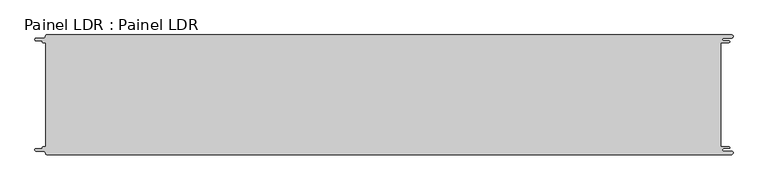
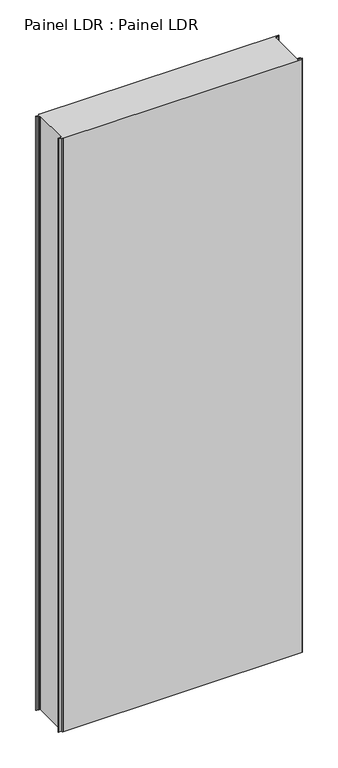
"""IFC4 building model written with IfcOpenShell, lengths in millimetres: proxy geometry, Painel LDR : Painel LDR."""

from ifc_helpers import new_model, si_unit, frame, origin, place, context, project, spatial, polyline, circle_curve, source, transform, mapped, element, save
from ifc_brep_helpers import plane_surface, cylinder_surface, revolved_surface, advanced_brep


def painel_ldr_painel_ldr_a854df61(model_context):
    return source(origin(), model_context, "Body", "AdvancedBrep", [
        advanced_brep(
        [(-579.5093748, 87.3, 3000.0), (-574.2218362, 87.3, 3000.0), (-574.2218362, -87.2999995, 3000.0), (-579.5093748, -87.2999995, 3000.0), (-580.1093753, -87.9, 3000.0), (-580.1093753, -88.7085185, 3000.0), (-581.5093753, -90.1085185, 3000.0), (-590.4875, -90.1085185, 3000.0), (-590.4875, -94.5085185, 3000.0), (-578.471875, -94.5085185, 3000.0), (-574.921875, -98.0585185, 3000.0), (-572.971875, -100.0, 3000.0), (572.284375, -100.0, 3000.0), (572.284375, -94.725, 3000.0), (559.378125, -94.725, 3000.0), (559.378125, -89.875, 3000.0), (568.0406253, -89.875, 3000.0), (568.0406253, -87.3, 3000.0), (554.1906253, -87.3, 3000.0), (554.1906253, 87.3, 3000.0), (568.0406253, 87.3, 3000.0), (568.0406253, 89.875, 3000.0), (559.378125, 89.875, 3000.0), (559.378125, 94.725, 3000.0), (572.284375, 94.725, 3000.0), (572.284375, 100.0, 3000.0), (-572.971875, 100.0, 3000.0), (-574.921875, 98.05, 3000.0), (-578.471875, 94.5085185, 3000.0), (-590.4875, 94.5085185, 3000.0), (-590.4875, 90.1085187, 3000.0), (-581.5093751, 90.1085187, 3000.0), (-580.1093748, 88.7085184, 3000.0), (-580.1093748, 87.9, 3000.0), (-579.5093748, 87.3, 0.0), (-580.1093748, 87.9, 0.0), (-580.1093748, 88.7085184, 0.0), (-581.5093751, 90.1085187, 0.0), (-590.4875, 90.1085187, 0.0), (-590.4875, 94.5085185, 0.0), (-578.471875, 94.5085185, 0.0), (-574.921875, 98.0585185, 0.0), (-572.971875, 100.0, 0.0), (572.284375, 100.0, 0.0), (572.284375, 94.725, 0.0), (559.378125, 94.725, 0.0), (559.378125, 89.875, 0.0), (568.0406253, 89.875, 0.0), (568.0406253, 87.3, 0.0), (554.1906253, 87.3, 0.0), (554.1906253, -87.3, 0.0), (568.0406253, -87.3, 0.0), (568.0406253, -89.875, 0.0), (559.378125, -89.875, 0.0), (559.378125, -94.725, 0.0), (572.284375, -94.725, 0.0), (572.284375, -100.0, 0.0), (-572.971875, -100.0, 0.0), (-574.921875, -98.05, 0.0), (-578.471875, -94.5085185, 0.0), (-590.4875, -94.5085185, 0.0), (-590.4875, -90.1085185, 0.0), (-581.5093753, -90.1085185, 0.0), (-580.1093753, -88.7085185, 0.0), (-580.1093753, -87.9, 0.0), (-579.5093748, -87.2999995, 0.0), (-574.2218362, -87.2999995, 0.0), (-574.2218362, 87.3, 0.0)],
        [
            (0, 1),
            (1, 2),
            (2, 3),
            (3, 4, circle_curve(frame((-579.5093748, -87.9, 3000.0), z_axis=(0.0, 0.0, 1.0), x_axis=(1.0, 0.0, 0.0)), 0.6000005)),
            (4, 5),
            (5, 6, circle_curve(frame((-581.5093753, -88.7085185, 3000.0), z_axis=(0.0, 0.0, -1.0), x_axis=(1.0, 0.0, 0.0)), 1.4)),
            (6, 7),
            (7, 8, circle_curve(frame((-590.4875, -92.3085185, 3000.0), z_axis=(0.0, 0.0, 1.0), x_axis=(1.0, 0.0, 0.0)), 2.2)),
            (8, 9),
            (9, 10, circle_curve(frame((-578.471875, -98.0585185, 3000.0), z_axis=(0.0, 0.0, -1.0), x_axis=(1.0, 0.0, 0.0)), 3.55)),
            (10, 11, circle_curve(frame((-572.971875, -98.05, 3000.0), z_axis=(0.0, 0.0, 1.0), x_axis=(1.0, 0.0, 0.0)), 1.95)),
            (11, 12),
            (12, 13, circle_curve(frame((572.284375, -97.3625, 3000.0), z_axis=(0.0, 0.0, 1.0), x_axis=(1.0, 0.0, 0.0)), 2.6375)),
            (13, 14),
            (14, 15, circle_curve(frame((559.378125, -92.3, 3000.0), z_axis=(0.0, 0.0, -1.0), x_axis=(1.0, 0.0, 0.0)), 2.425)),
            (15, 16),
            (16, 17, circle_curve(frame((568.0406253, -88.5875, 3000.0), z_axis=(0.0, 0.0, 1.0), x_axis=(1.0, 0.0, 0.0)), 1.2875)),
            (17, 18),
            (18, 19),
            (19, 20),
            (20, 21, circle_curve(frame((568.0406253, 88.5875, 3000.0), z_axis=(0.0, 0.0, 1.0), x_axis=(1.0, 0.0, 0.0)), 1.2875)),
            (21, 22),
            (22, 23, circle_curve(frame((559.378125, 92.3, 3000.0), z_axis=(0.0, 0.0, -1.0), x_axis=(1.0, 0.0, 0.0)), 2.425)),
            (23, 24),
            (24, 25, circle_curve(frame((572.284375, 97.3625, 3000.0), z_axis=(0.0, 0.0, 1.0), x_axis=(1.0, 0.0, 0.0)), 2.6375)),
            (25, 26),
            (26, 27, circle_curve(frame((-572.971875, 98.05, 3000.0), z_axis=(0.0, 0.0, 1.0), x_axis=(1.0, 0.0, 0.0)), 1.95)),
            (27, 28, circle_curve(frame((-578.471875, 98.0585185, 3000.0), z_axis=(0.0, 0.0, -1.0), x_axis=(1.0, 0.0, 0.0)), 3.55)),
            (28, 29),
            (29, 30, circle_curve(frame((-590.4875, 92.3085186, 3000.0), z_axis=(0.0, 0.0, 1.0), x_axis=(1.0, 0.0, 0.0)), 2.1999999)),
            (30, 31),
            (31, 32, circle_curve(frame((-581.5093751, 88.7085184, 3000.0), z_axis=(0.0, 0.0, -1.0), x_axis=(1.0, 0.0, 0.0)), 1.4000003)),
            (32, 33),
            (33, 0, circle_curve(frame((-579.5093748, 87.9, 3000.0), z_axis=(0.0, 0.0, 1.0), x_axis=(1.0, 0.0, 0.0)), 0.6)),
            (34, 35, circle_curve(frame((-579.5093748, 87.9, 0.0), z_axis=(0.0, 0.0, -1.0), x_axis=(1.0, 0.0, 0.0)), 0.6)),
            (35, 36),
            (36, 37, circle_curve(frame((-581.5093751, 88.7085184, 0.0), z_axis=(0.0, 0.0, 1.0), x_axis=(1.0, 0.0, 0.0)), 1.4000003)),
            (37, 38),
            (38, 39, circle_curve(frame((-590.4875, 92.3085186, 0.0), z_axis=(0.0, 0.0, -1.0), x_axis=(1.0, 0.0, 0.0)), 2.1999999)),
            (39, 40),
            (40, 41, circle_curve(frame((-578.471875, 98.0585185, 0.0), z_axis=(0.0, 0.0, 1.0), x_axis=(1.0, 0.0, 0.0)), 3.55)),
            (41, 42, circle_curve(frame((-572.971875, 98.05, 0.0), z_axis=(0.0, 0.0, -1.0), x_axis=(1.0, 0.0, 0.0)), 1.95)),
            (42, 43),
            (43, 44, circle_curve(frame((572.284375, 97.3625, 0.0), z_axis=(0.0, 0.0, -1.0), x_axis=(1.0, 0.0, 0.0)), 2.6375)),
            (44, 45),
            (45, 46, circle_curve(frame((559.378125, 92.3, 0.0), z_axis=(0.0, 0.0, 1.0), x_axis=(1.0, 0.0, 0.0)), 2.425)),
            (46, 47),
            (47, 48, circle_curve(frame((568.0406253, 88.5875, 0.0), z_axis=(0.0, 0.0, -1.0), x_axis=(1.0, 0.0, 0.0)), 1.2875)),
            (48, 49),
            (49, 50),
            (50, 51),
            (51, 52, circle_curve(frame((568.0406253, -88.5875, 0.0), z_axis=(0.0, 0.0, -1.0), x_axis=(1.0, 0.0, 0.0)), 1.2875)),
            (52, 53),
            (53, 54, circle_curve(frame((559.378125, -92.3, 0.0), z_axis=(0.0, 0.0, 1.0), x_axis=(1.0, 0.0, 0.0)), 2.425)),
            (54, 55),
            (55, 56, circle_curve(frame((572.284375, -97.3625, 0.0), z_axis=(0.0, 0.0, -1.0), x_axis=(1.0, 0.0, 0.0)), 2.6375)),
            (56, 57),
            (57, 58, circle_curve(frame((-572.971875, -98.05, 0.0), z_axis=(0.0, 0.0, -1.0), x_axis=(1.0, 0.0, 0.0)), 1.95)),
            (58, 59, circle_curve(frame((-578.471875, -98.0585185, 0.0), z_axis=(0.0, 0.0, 1.0), x_axis=(1.0, 0.0, 0.0)), 3.55)),
            (59, 60),
            (60, 61, circle_curve(frame((-590.4875, -92.3085185, 0.0), z_axis=(0.0, 0.0, -1.0), x_axis=(1.0, 0.0, 0.0)), 2.2)),
            (61, 62),
            (62, 63, circle_curve(frame((-581.5093753, -88.7085185, 0.0), z_axis=(0.0, 0.0, 1.0), x_axis=(1.0, 0.0, 0.0)), 1.4)),
            (63, 64),
            (64, 65, circle_curve(frame((-579.5093748, -87.9, 0.0), z_axis=(0.0, 0.0, -1.0), x_axis=(1.0, 0.0, 0.0)), 0.6000005)),
            (65, 66),
            (66, 67),
            (67, 34),
            (0, 34),
            (67, 1),
            (66, 2),
            (65, 3),
            (64, 4),
            (63, 5),
            (62, 6),
            (61, 7),
            (60, 8),
            (59, 9),
            (58, 10),
            (57, 11),
            (56, 12),
            (18, 50),
            (49, 19),
            (48, 20),
            (47, 21),
            (46, 22),
            (45, 23),
            (44, 24),
            (43, 25),
            (42, 26),
            (41, 27),
            (40, 28),
            (39, 29),
            (38, 30),
            (37, 31),
            (36, 32),
            (35, 33),
            (55, 13),
            (54, 14),
            (53, 15),
            (52, 16),
            (51, 17),
        ],
        [
            plane_surface(frame((-574.2218362, 87.3, 3000.0), z_axis=(0.0, 0.0, 1.0), x_axis=(1.0, 0.0, 0.0))),
            plane_surface(frame((-574.2218362, 87.3, 0.0), z_axis=(0.0, 0.0, -1.0), x_axis=(-1.0, 0.0, 0.0))),
            plane_surface(frame((-579.5093748, 87.3, 3000.0), z_axis=(0.0, -1.0, 0.0), x_axis=(0.0, 0.0, -1.0))),
            plane_surface(frame((-574.2218362, 87.3, 3000.0), z_axis=(-1.0, 0.0, 0.0), x_axis=(0.0, 0.0, -1.0))),
            plane_surface(frame((-574.2218362, -87.2999995, 3000.0), z_axis=(0.0, 1.0, 0.0), x_axis=(0.0, 0.0, -1.0))),
            cylinder_surface(frame((-579.5093748, -87.9, 0.0), z_axis=(0.0, 0.0, 1.0), x_axis=(1.0, 0.0, 0.0)), 0.6000005),
            plane_surface(frame((-580.1093753, -87.9, 3000.0), z_axis=(-1.0, 1.757860866232952e-12, 0.0), x_axis=(0.0, 0.0, -1.0))),
            revolved_surface(polyline([(-580.1093753, -88.7085185, 0.0), (-580.1093753, -88.7085185, 3000.0)]), (-581.5093753, -88.7085185, 0.0), (0.0, 0.0, -1.0)),
            plane_surface(frame((-581.5093753, -90.1085185, 3000.0), z_axis=(0.0, 1.0, 0.0), x_axis=(0.0, 0.0, -1.0))),
            cylinder_surface(frame((-590.4875, -92.3085185, 0.0), z_axis=(0.0, 0.0, 1.0), x_axis=(1.0, 0.0, 0.0)), 2.2),
            plane_surface(frame((-590.4875, -94.5085185, 3000.0), z_axis=(0.0, -1.0, 0.0), x_axis=(0.0, 0.0, -1.0))),
            revolved_surface(polyline([(-574.921875, -98.0585185, 0.0), (-574.921875, -98.0585185, 3000.0)]), (-578.471875, -98.0585185, 0.0), (0.0, 0.0, -1.0)),
            cylinder_surface(frame((-572.971875, -98.05, 0.0), z_axis=(0.0, 0.0, 1.0), x_axis=(1.0, 0.0, 0.0)), 1.95),
            plane_surface(frame((-572.971875, -100.0, 3000.0), z_axis=(0.0, -1.0, 0.0), x_axis=(0.0, 0.0, -1.0))),
            plane_surface(frame((554.1906253, -87.3, 3000.0), z_axis=(1.0, 0.0, 0.0), x_axis=(0.0, 0.0, -1.0))),
            plane_surface(frame((554.1906253, 87.3, 3000.0), z_axis=(0.0, -1.0, 0.0), x_axis=(0.0, 0.0, -1.0))),
            cylinder_surface(frame((568.0406253, 88.5875, 0.0), z_axis=(0.0, 0.0, 1.0), x_axis=(1.0, 0.0, 0.0)), 1.2875),
            plane_surface(frame((568.0406253, 89.875, 3000.0), z_axis=(0.0, 1.0, 0.0), x_axis=(0.0, 0.0, -1.0))),
            revolved_surface(polyline([(561.8031249999999, 92.3, 0.0), (561.8031249999999, 92.3, 3000.0)]), (559.378125, 92.3, 0.0), (0.0, 0.0, -1.0)),
            plane_surface(frame((559.378125, 94.725, 3000.0), z_axis=(0.0, -1.0, 0.0), x_axis=(0.0, 0.0, -1.0))),
            cylinder_surface(frame((572.284375, 97.3625, 0.0), z_axis=(0.0, 0.0, 1.0), x_axis=(1.0, 0.0, 0.0)), 2.6375),
            plane_surface(frame((572.284375, 100.0, 3000.0), z_axis=(0.0, 1.0, 0.0), x_axis=(0.0, 0.0, -1.0))),
            cylinder_surface(frame((-572.971875, 98.05, 0.0), z_axis=(0.0, 0.0, 1.0), x_axis=(1.0, 0.0, 0.0)), 1.95),
            revolved_surface(polyline([(-574.921875, 98.0585185, 0.0), (-574.921875, 98.0585185, 3000.0)]), (-578.471875, 98.0585185, 0.0), (0.0, 0.0, -1.0)),
            plane_surface(frame((-578.471875, 94.5085185, 3000.0), z_axis=(0.0, 1.0, 0.0), x_axis=(0.0, 0.0, -1.0))),
            cylinder_surface(frame((-590.4875, 92.3085186, 0.0), z_axis=(0.0, 0.0, 1.0), x_axis=(1.0, 0.0, 0.0)), 2.1999999),
            plane_surface(frame((-590.4875, 90.1085187, 3000.0), z_axis=(0.0, -1.0, 0.0), x_axis=(0.0, 0.0, -1.0))),
            revolved_surface(polyline([(-580.1093748000001, 88.7085184, 0.0), (-580.1093748000001, 88.7085184, 3000.0)]), (-581.5093751, 88.7085184, 0.0), (0.0, 0.0, -1.0)),
            plane_surface(frame((-580.1093748, 88.7085184, 3000.0), z_axis=(-1.0, 0.0, 0.0), x_axis=(0.0, 0.0, -1.0))),
            cylinder_surface(frame((-579.5093748, 87.9, 0.0), z_axis=(0.0, 0.0, 1.0), x_axis=(1.0, 0.0, 0.0)), 0.6),
            cylinder_surface(frame((572.284375, -97.3625, 0.0), z_axis=(0.0, 0.0, 1.0), x_axis=(1.0, 0.0, 0.0)), 2.6375),
            plane_surface(frame((572.284375, -94.725, 3000.0), z_axis=(0.0, 1.0, 0.0), x_axis=(0.0, 0.0, -1.0))),
            revolved_surface(polyline([(561.8031249999999, -92.3, 0.0), (561.8031249999999, -92.3, 3000.0)]), (559.378125, -92.3, 0.0), (0.0, 0.0, -1.0)),
            plane_surface(frame((559.378125, -89.875, 3000.0), z_axis=(0.0, -1.0, 0.0), x_axis=(0.0, 0.0, -1.0))),
            cylinder_surface(frame((568.0406253, -88.5875, 0.0), z_axis=(0.0, 0.0, 1.0), x_axis=(1.0, 0.0, 0.0)), 1.2875),
            plane_surface(frame((568.0406253, -87.3, 3000.0), z_axis=(0.0, 1.0, 0.0), x_axis=(0.0, 0.0, -1.0))),
        ],
        [
            (0, [[1, 2, 3, 4, 5, 6, 7, 8, 9, 10, 11, 12, 13, 14, 15, 16, 17, 18, 19, 20, 21, 22, 23, 24, 25, 26, 27, 28, 29, 30, 31, 32, 33, 34]]),
            (1, [[35, 36, 37, 38, 39, 40, 41, 42, 43, 44, 45, 46, 47, 48, 49, 50, 51, 52, 53, 54, 55, 56, 57, 58, 59, 60, 61, 62, 63, 64, 65, 66, 67, 68]]),
            (2, [[-1, 69, -68, 70]]),
            (3, [[-2, -70, -67, 71]]),
            (4, [[-3, -71, -66, 72]]),
            (5, [[-4, -72, -65, 73]]),
            (6, [[-5, -73, -64, 74]]),
            (7, [[-6, -74, -63, 75]]),
            (8, [[-7, -75, -62, 76]]),
            (9, [[-8, -76, -61, 77]]),
            (10, [[-9, -77, -60, 78]]),
            (11, [[-10, -78, -59, 79]]),
            (12, [[-11, -79, -58, 80]]),
            (13, [[-12, -80, -57, 81]]),
            (14, [[-19, 82, -50, 83]]),
            (15, [[-20, -83, -49, 84]]),
            (16, [[-21, -84, -48, 85]]),
            (17, [[-22, -85, -47, 86]]),
            (18, [[-23, -86, -46, 87]]),
            (19, [[-24, -87, -45, 88]]),
            (20, [[-25, -88, -44, 89]]),
            (21, [[-26, -89, -43, 90]]),
            (22, [[-27, -90, -42, 91]]),
            (23, [[-28, -91, -41, 92]]),
            (24, [[-29, -92, -40, 93]]),
            (25, [[-30, -93, -39, 94]]),
            (26, [[-31, -94, -38, 95]]),
            (27, [[-32, -95, -37, 96]]),
            (28, [[-33, -96, -36, 97]]),
            (29, [[-34, -97, -35, -69]]),
            (30, [[-13, -81, -56, 98]]),
            (31, [[-14, -98, -55, 99]]),
            (32, [[-15, -99, -54, 100]]),
            (33, [[-16, -100, -53, 101]]),
            (34, [[-17, -101, -52, 102]]),
            (35, [[-18, -102, -51, -82]]),
        ],
    ),
    ])


if __name__ == "__main__":
    model = new_model("IFC4")
    model_context = context("Model", 3, world=origin())
    ifc_project = project(units=[si_unit("LENGTHUNIT", "METRE", prefix="MILLI")], contexts=[model_context])
    site = spatial("IfcSite", under=ifc_project)
    building = spatial("IfcBuilding", under=site)
    placement = place(None, origin())
    painel_ldr_painel_ldr_shape = painel_ldr_painel_ldr_a854df61(model_context)
    element("IfcBuildingElementProxy", 1, Name="Painel LDR : Painel LDR", ObjectType="Painel LDR : Painel LDR", at=placement, inside=building, context=model_context, shape_type="MappedRepresentation", body=[
        mapped(painel_ldr_painel_ldr_shape, transform((0.0, 0.0, 0.0), x_axis=(1.0, 0.0, 0.0), y_axis=(0.0, 1.0, 0.0), z_axis=(0.0, 0.0, 1.0))),
    ])
    save(model, "model.ifc")
